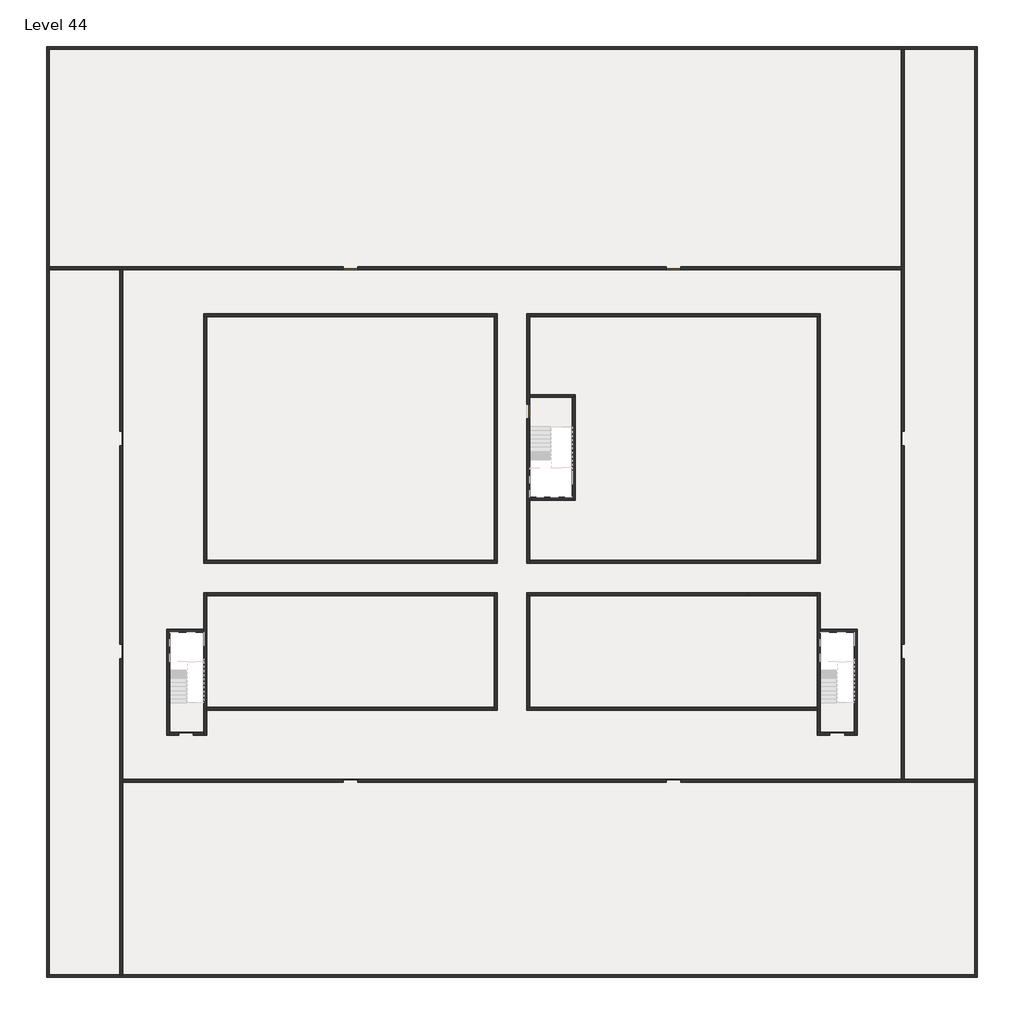
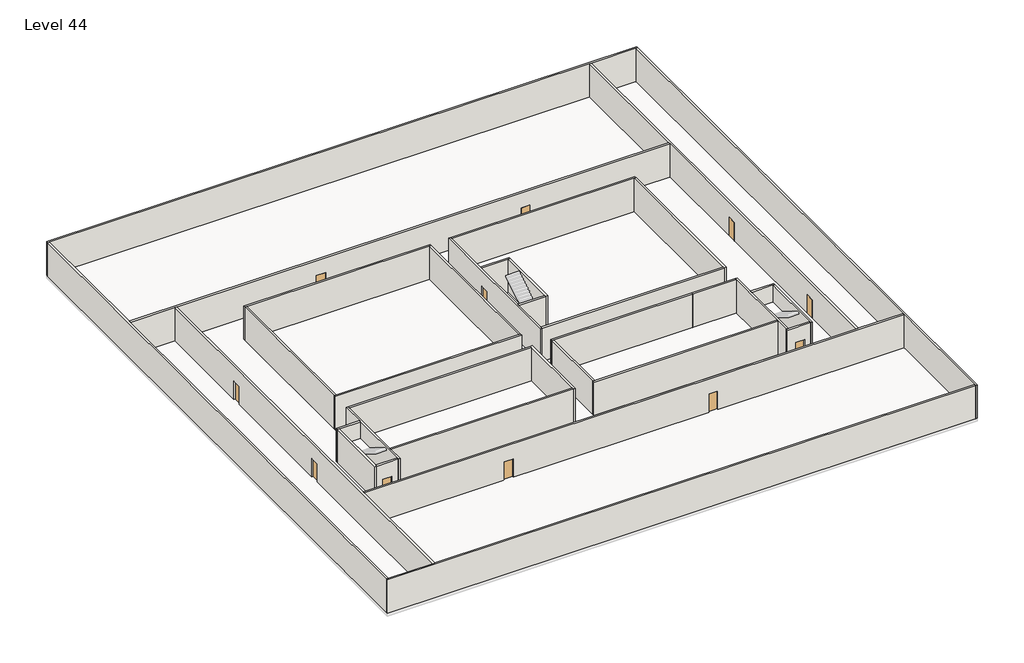
# One storey, part 1 of 2: 34 walls, 11 doors.
"""IFC4 building model written with IfcOpenShell, lengths in millimetres."""

import ifcopenshell
import ifcopenshell.guid

model = None  # the IFC model being written
_history = None  # IfcOwnerHistory: only IFC2X3 demands one
_inside = {}  # id of a spatial element -> (the spatial element, [elements in it])
_under = {}  # id of a project, library or spatial element -> (it, [spatial elements below it])
_declared = {}  # id of a project -> (the project, [libraries it declares])
_typed = {}  # id of a type object -> (the type object, [elements of that type])
_made_of = {}  # id of a material, layer set ... -> (it, [elements and type objects made of it])


def new_model(schema):
    """Start an empty IFC model of exactly this schema.

    Asked for "IFC4X3", IfcOpenShell would pick the latest addendum, in which some entities
    have other attributes; the version numbers below select the first issue.
    IFC2X3 requires an IfcOwnerHistory on every rooted entity: one is made here for all.
    """
    global model, _history
    if schema == "IFC4X3":
        model = ifcopenshell.file(schema_version=(4, 3, 0, 0))
    else:
        model = ifcopenshell.file(schema=schema)
    _inside.clear()
    _under.clear()
    _declared.clear()
    _typed.clear()
    _made_of.clear()
    _history = None
    if model.schema == "IFC2X3":
        org = make("IfcOrganization", Name="unknown")
        user = make(
            "IfcPersonAndOrganization",
            ThePerson=make("IfcPerson", FamilyName="unknown"),
            TheOrganization=org,
        )
        app = make(
            "IfcApplication",
            ApplicationDeveloper=org,
            Version="unknown",
            ApplicationFullName="unknown",
            ApplicationIdentifier="unknown",
        )
        _history = make(
            "IfcOwnerHistory",
            OwningUser=user,
            OwningApplication=app,
            ChangeAction="ADDED",
            CreationDate=0,
        )
    return model


def make(cls, **values):
    """One entity of the class cls with the attributes given. An attribute that is None is left unset."""
    return model.create_entity(
        cls, **{name: value for name, value in values.items() if value is not None}
    )


def rooted(cls, **values):
    """An entity with a GlobalId (a new one), such as an element, a storey or a relation."""
    return make(cls, GlobalId=ifcopenshell.guid.new(), OwnerHistory=_history, **values)


def si_unit(unit_type, name, prefix=None):
    """IfcSIUnit, for example si_unit("LENGTHUNIT", "METRE", prefix="MILLI")."""
    return make("IfcSIUnit", UnitType=unit_type, Prefix=prefix, Name=name)


def assignment(units):
    """IfcUnitAssignment: the units of a project."""
    return None if units is None else make("IfcUnitAssignment", Units=units)


def point(xyz):
    """IfcCartesianPoint."""
    return None if xyz is None else make("IfcCartesianPoint", Coordinates=xyz)


def direction(xyz):
    """IfcDirection."""
    return None if xyz is None else make("IfcDirection", DirectionRatios=xyz)


def frame(location, z_axis=None, x_axis=None):
    """IfcAxis2Placement3D, a coordinate frame: its origin and axes. An axis left out is left unset."""
    return make(
        "IfcAxis2Placement3D",
        Location=point(location),
        Axis=direction(z_axis),
        RefDirection=direction(x_axis),
    )


def origin():
    """The frame at (0, 0, 0) with its axes left unset."""
    return frame((0.0, 0.0, 0.0))


def origin_with_axes():
    """The frame at (0, 0, 0) with the z axis (0, 0, 1) and the x axis (1, 0, 0) written out."""
    return frame((0.0, 0.0, 0.0), z_axis=(0.0, 0.0, 1.0), x_axis=(1.0, 0.0, 0.0))


def place(relative_to, where):
    """IfcLocalPlacement: puts the frame where relative to a parent placement (None: the world)."""
    return make(
        "IfcLocalPlacement", PlacementRelTo=relative_to, RelativePlacement=where
    )


def context(
    kind, dimensions, precision=None, world=None, true_north=None, identifier=None
):
    """IfcGeometricRepresentationContext, for example the 3D "Model" context."""
    return make(
        "IfcGeometricRepresentationContext",
        ContextIdentifier=identifier,
        ContextType=kind,
        CoordinateSpaceDimension=dimensions,
        Precision=precision,
        WorldCoordinateSystem=world,
        TrueNorth=true_north,
    )


def project(units=None, contexts=None):
    """IfcProject with its units and contexts."""
    return rooted(
        "IfcProject",
        Name="project",
        RepresentationContexts=contexts,
        UnitsInContext=assignment(units),
    )


def spatial(cls, under=None, at=None, **own):
    """A site, building, storey or space (cls), placed at a placement, below another one or the project."""
    s = rooted(cls, ObjectPlacement=at, **own)
    if under is not None:
        _under.setdefault(under.id(), (under, []))[1].append(s)
    return s


def polyline(points):
    """IfcPolyline through the points."""
    return make("IfcPolyline", Points=[point(p) for p in points])


def outline(outer, holes=None, kind="AREA"):
    """IfcArbitraryClosedProfileDef: a profile drawn as a closed curve; with holes, ...WithVoids."""
    if holes is None:
        return make("IfcArbitraryClosedProfileDef", ProfileType=kind, OuterCurve=outer)
    return make(
        "IfcArbitraryProfileDefWithVoids",
        ProfileType=kind,
        OuterCurve=outer,
        InnerCurves=holes,
    )


def extrude(swept, where, along, depth):
    """IfcExtrudedAreaSolid: the profile swept, set in the frame where, extruded along a direction by depth."""
    return make(
        "IfcExtrudedAreaSolid",
        SweptArea=swept,
        Position=where,
        ExtrudedDirection=direction(along),
        Depth=depth,
    )


def faces_of(points, faces, orient=None, outer=None):
    """IfcFace entities. A face is a list of loops; a loop is a list of indices into points, from 0.

    orient and outer hold one flag for each loop. By default every Orientation is true, the
    first loop of a face is its IfcFaceOuterBound and the others are IfcFaceBound.
    """
    made = []
    for i, loops in enumerate(faces):
        bounds = []
        for j, loop in enumerate(loops):
            is_outer = j == 0 if outer is None else outer[i][j]
            bounds.append(
                make(
                    "IfcFaceOuterBound" if is_outer else "IfcFaceBound",
                    Bound=make("IfcPolyLoop", Polygon=[points[k] for k in loop]),
                    Orientation=True if orient is None else orient[i][j],
                )
            )
        made.append(make("IfcFace", Bounds=bounds))
    return made


def faceted_brep(points, faces, orient=None, outer=None, voids=None):
    """IfcFacetedBrep: a solid bounded by flat faces; with voids (closed shells), ...WithVoids."""
    shared = [point(p) for p in points]
    hull = make("IfcClosedShell", CfsFaces=faces_of(shared, faces, orient, outer))
    if voids is None:
        return make("IfcFacetedBrep", Outer=hull)
    return make(
        "IfcFacetedBrepWithVoids",
        Outer=hull,
        Voids=[
            make(cls, CfsFaces=faces_of(shared, fs, o, b)) for cls, fs, o, b in voids
        ],
    )


def shape(context_of_items, identifier, shape_type, items):
    """IfcShapeRepresentation: the items that make up one representation, for example the "Body"."""
    return make(
        "IfcShapeRepresentation",
        ContextOfItems=context_of_items,
        RepresentationIdentifier=identifier,
        RepresentationType=shape_type,
        Items=items,
    )


def source(mapping_origin, context_of_items, identifier, shape_type, items):
    """IfcRepresentationMap: a shape defined once, which mapped items show again and again."""
    return make(
        "IfcRepresentationMap",
        MappingOrigin=mapping_origin,
        MappedRepresentation=shape(context_of_items, identifier, shape_type, items),
    )


def transform(
    local_origin,
    x_axis=None,
    y_axis=None,
    z_axis=None,
    scale=None,
    scale2=None,
    scale3=None,
    uniform=True,
):
    """IfcCartesianTransformationOperator3D, or its non-uniform kind. x_axis, y_axis, z_axis: its Axis1, 2, 3."""
    if uniform:
        return make(
            "IfcCartesianTransformationOperator3D",
            Axis1=direction(x_axis),
            Axis2=direction(y_axis),
            LocalOrigin=point(local_origin),
            Scale=scale,
            Axis3=direction(z_axis),
        )
    return make(
        "IfcCartesianTransformationOperator3DnonUniform",
        Axis1=direction(x_axis),
        Axis2=direction(y_axis),
        LocalOrigin=point(local_origin),
        Scale=scale,
        Axis3=direction(z_axis),
        Scale2=scale2,
        Scale3=scale3,
    )


def mapped(mapping_source, mapping_target):
    """IfcMappedItem: shows the shape of a source again, moved by a transform."""
    return make(
        "IfcMappedItem", MappingSource=mapping_source, MappingTarget=mapping_target
    )


def made_of(thing, what):
    """Note that an element or type object is made of a material, layer set ...; save() writes the relation."""
    if what is not None:
        _made_of.setdefault(what.id(), (what, []))[1].append(thing)
    return thing


def element(
    cls,
    number,
    at=None,
    inside=None,
    cuts=None,
    type_object=None,
    material=None,
    context=None,
    identifier="Body",
    shape_type=None,
    held_by="IfcProductDefinitionShape",
    body=None,
    shapes=None,
    **own,
):
    """One element of the class cls, such as IfcWall. Its Tag is "e" and its number.

    at: its placement. inside: the storey or other place that contains it. cuts: it is an
    opening in that element (IfcRelVoidsElement). A single representation is given by context,
    identifier, shape_type and body (its items); several are given by shapes. held_by: the class
    of the entity that holds the representations. save() writes the other relations.
    """
    e = rooted(cls, Tag="e%d" % number, ObjectPlacement=at, **own)
    if body is not None:
        shapes = [shape(context, identifier, shape_type, body)]
    if shapes is not None:
        e.Representation = make(held_by, Representations=shapes)
    if inside is not None:
        _inside.setdefault(inside.id(), (inside, []))[1].append(e)
    if cuts is not None:
        rooted(
            "IfcRelVoidsElement", RelatingBuildingElement=cuts, RelatedOpeningElement=e
        )
    if type_object is not None:
        _typed.setdefault(type_object.id(), (type_object, []))[1].append(e)
    return made_of(e, material)


def aggregate(whole, parts):
    """IfcRelAggregates: a whole, such as a stair, and the parts it consists of."""
    return rooted("IfcRelAggregates", RelatingObject=whole, RelatedObjects=parts)


def save(model, path):
    """Write the relations noted so far, then the file.

    IfcRelAggregates (storeys below a building ...), IfcRelContainedInSpatialStructure (elements
    in a storey), IfcRelDefinesByType, IfcRelAssociatesMaterial and IfcRelDeclares: one each for
    every whole, place, type object, material and project.
    """
    for whole, parts in _under.values():
        aggregate(whole, parts)
    for where, things in _inside.values():
        rooted(
            "IfcRelContainedInSpatialStructure",
            RelatedElements=things,
            RelatingStructure=where,
        )
    for kind, things in _typed.values():
        rooted("IfcRelDefinesByType", RelatedObjects=things, RelatingType=kind)
    for what, things in _made_of.values():
        rooted("IfcRelAssociatesMaterial", RelatedObjects=things, RelatingMaterial=what)
    for by, libraries in _declared.values():
        rooted("IfcRelDeclares", RelatingContext=by, RelatedDefinitions=libraries)
    model.write(path)


def door_fb3c37fd(model_context):
    return source(origin(), model_context, "Body", "SweptSolid", [
        extrude(outline(polyline([(500.0, 49.0), (-500.0, 49.0), (-500.0, 100.0), (500.0, 100.0), (500.0, 49.0)])), origin_with_axes(), (0.0, 0.0, 1.0), 2100.0),
    ])


def door_0317a72c(model_context):
    return source(origin(), model_context, "Body", "SweptSolid", [
        extrude(outline(polyline([(500.0, -49.0), (500.0, -100.0), (-500.0, -100.0), (-500.0, -49.0), (500.0, -49.0)])), origin_with_axes(), (0.0, 0.0, 1.0), 2100.0),
    ])


model = new_model("IFC4")

# Units and contexts
model_context = context("Model", 3, world=origin())
ifc_project = project(units=[si_unit("LENGTHUNIT", "METRE", prefix="MILLI")], contexts=[model_context])

# Site, building, storey
site = spatial("IfcSite", under=ifc_project)
building = spatial("IfcBuilding", under=site)
storey = spatial("IfcBuildingStorey", under=building, Name="Level 44", Elevation=163400.0)

# Doors
placement = place(None, origin())
door_shape = door_fb3c37fd(model_context)
element("IfcDoor", 1, at=placement, inside=storey, context=model_context, shape_type="MappedRepresentation", body=[
    mapped(door_shape, transform((-2409.8941216, -46718.09644, 163400.0), x_axis=(0.0, -1.0, 0.0), y_axis=(1.0, 0.0, 0.0), z_axis=(0.0, 0.0, 1.0))),
])
element("IfcDoor", 2, at=placement, inside=storey, context=model_context, shape_type="MappedRepresentation", body=[
    mapped(door_shape, transform((-2409.8941216, -32218.09644, 163400.0), x_axis=(0.0, -1.0, 0.0), y_axis=(1.0, 0.0, 0.0), z_axis=(0.0, 0.0, 1.0))),
])
element("IfcDoor", 3, at=placement, inside=storey, context=model_context, shape_type="MappedRepresentation", body=[
    mapped(door_shape, transform((13190.1058784, -20618.09644, 163400.0), x_axis=(-1.0, 0.0, 0.0), y_axis=(0.0, -1.0, 0.0), z_axis=(0.0, 0.0, 1.0))),
])
element("IfcDoor", 4, at=placement, inside=storey, context=model_context, shape_type="MappedRepresentation", body=[
    mapped(door_shape, transform((35190.1058784, -20618.09644, 163400.0), x_axis=(-1.0, 0.0, 0.0), y_axis=(0.0, -1.0, 0.0), z_axis=(0.0, 0.0, 1.0))),
])
element("IfcDoor", 5, at=placement, inside=storey, context=model_context, shape_type="MappedRepresentation", body=[
    mapped(door_shape, transform((50790.1058784, -32218.09644, 163400.0), x_axis=(0.0, 1.0, 0.0), y_axis=(-1.0, 0.0, 0.0), z_axis=(0.0, 0.0, 1.0))),
])
element("IfcDoor", 6, at=placement, inside=storey, context=model_context, shape_type="MappedRepresentation", body=[
    mapped(door_shape, transform((50790.1058784, -46718.09644, 163400.0), x_axis=(0.0, 1.0, 0.0), y_axis=(-1.0, 0.0, 0.0), z_axis=(0.0, 0.0, 1.0))),
])
element("IfcDoor", 7, at=placement, inside=storey, context=model_context, shape_type="MappedRepresentation", body=[
    mapped(door_shape, transform((35190.1058784, -55518.09644, 163400.0), x_axis=(1.0, 0.0, 0.0), y_axis=(0.0, 1.0, 0.0), z_axis=(0.0, 0.0, 1.0))),
])
element("IfcDoor", 8, at=placement, inside=storey, context=model_context, shape_type="MappedRepresentation", body=[
    mapped(door_shape, transform((13190.1058784, -55518.09644, 163400.0), x_axis=(1.0, 0.0, 0.0), y_axis=(0.0, 1.0, 0.0), z_axis=(0.0, 0.0, 1.0))),
])
door_2_shape = door_0317a72c(model_context)
element("IfcDoor", 9, at=placement, inside=storey, context=model_context, shape_type="MappedRepresentation", body=[
    mapped(door_2_shape, transform((46340.1058784, -52318.09644, 163400.0), x_axis=(-1.0, 0.0, 0.0), y_axis=(0.0, -1.0, 0.0), z_axis=(0.0, 0.0, 1.0))),
])
element("IfcDoor", 10, at=placement, inside=storey, context=model_context, shape_type="MappedRepresentation", body=[
    mapped(door_2_shape, transform((1990.1058784, -52318.09644, 163400.0), x_axis=(-1.0, 0.0, 0.0), y_axis=(0.0, -1.0, 0.0), z_axis=(0.0, 0.0, 1.0))),
])
element("IfcDoor", 11, at=placement, inside=storey, context=model_context, shape_type="MappedRepresentation", body=[
    mapped(door_2_shape, transform((25290.1058784, -30368.09644, 163400.0), x_axis=(0.0, 1.0, 0.0), y_axis=(-1.0, 0.0, 0.0), z_axis=(0.0, 0.0, 1.0))),
])

# Walls
element("IfcWall", 12, at=placement, inside=storey, context=model_context, shape_type="Brep", body=[
    faceted_brep([(-7509.8941216, -5718.09644, 163400.0), (-7309.8941216, -5718.09644, 163400.0), (50690.1058784, -5718.09644, 163400.0), (50890.1058784, -5718.09644, 163400.0), (55690.1058784, -5718.09644, 163400.0), (55890.1058784, -5718.09644, 163400.0), (55890.1058784, -5718.09644, 167200.0), (55690.1058784, -5718.09644, 167200.0), (50890.1058784, -5718.09644, 167200.0), (50690.1058784, -5718.09644, 167200.0), (-7309.8941216, -5718.09644, 167200.0), (-7509.8941216, -5718.09644, 167200.0), (-7509.8941216, -5518.09644, 163400.0), (-7509.8941216, -5518.09644, 167200.0), (55890.1058784, -5518.09644, 167200.0), (55890.1058784, -5518.09644, 163400.0)], [[[0, 1, 2, 3, 4, 5, 6, 7, 8, 9, 10, 11]], [[12, 13, 14, 15]], [[5, 4, 3, 2, 1, 0, 12, 15]], [[11, 10, 9, 8, 7, 6, 14, 13]], [[0, 11, 13, 12]], [[6, 5, 15, 14]]]),
])
element("IfcWall", 13, at=placement, inside=storey, context=model_context, shape_type="Brep", body=[
    faceted_brep([(55690.1058784, -5718.09644, 163400.0), (55690.1058784, -55418.09644, 163400.0), (55690.1058784, -55618.09644, 163400.0), (55690.1058784, -68718.09644, 163400.0), (55690.1058784, -68918.09644, 163400.0), (55690.1058784, -68918.09644, 167200.0), (55690.1058784, -68718.09644, 167200.0), (55690.1058784, -55618.09644, 167200.0), (55690.1058784, -55418.09644, 167200.0), (55690.1058784, -5718.09644, 167200.0), (55890.1058784, -5718.09644, 163400.0), (55890.1058784, -5718.09644, 167200.0), (55890.1058784, -68918.09644, 167200.0), (55890.1058784, -68918.09644, 163400.0)], [[[0, 1, 2, 3, 4, 5, 6, 7, 8, 9]], [[10, 11, 12, 13]], [[4, 3, 2, 1, 0, 10, 13]], [[9, 8, 7, 6, 5, 12, 11]], [[5, 4, 13, 12]], [[0, 9, 11, 10]]]),
])
element("IfcWall", 14, at=placement, inside=storey, context=model_context, shape_type="Brep", body=[
    faceted_brep([(55690.1058784, -68718.09644, 163400.0), (-2309.8941216, -68718.09644, 163400.0), (-2509.8941216, -68718.09644, 163400.0), (-7309.8941216, -68718.09644, 163400.0), (-7509.8941216, -68718.09644, 163400.0), (-7509.8941216, -68718.09644, 167200.0), (-7309.8941216, -68718.09644, 167200.0), (-2509.8941216, -68718.09644, 167200.0), (-2309.8941216, -68718.09644, 167200.0), (55690.1058784, -68718.09644, 167200.0), (55690.1058784, -68918.09644, 163400.0), (55690.1058784, -68918.09644, 167200.0), (-7509.8941216, -68918.09644, 167200.0), (-7509.8941216, -68918.09644, 163400.0)], [[[0, 1, 2, 3, 4, 5, 6, 7, 8, 9]], [[10, 11, 12, 13]], [[4, 3, 2, 1, 0, 10, 13]], [[9, 8, 7, 6, 5, 12, 11]], [[5, 4, 13, 12]], [[0, 9, 11, 10]]]),
])
element("IfcWall", 15, at=placement, inside=storey, context=model_context, shape_type="Brep", body=[
    faceted_brep([(-7309.8941216, -68718.09644, 163400.0), (-7309.8941216, -20718.09644, 163400.0), (-7309.8941216, -20518.09644, 163400.0), (-7309.8941216, -5718.09644, 163400.0), (-7309.8941216, -5718.09644, 167200.0), (-7309.8941216, -20518.09644, 167200.0), (-7309.8941216, -20718.09644, 167200.0), (-7309.8941216, -68718.09644, 167200.0), (-7509.8941216, -68718.09644, 163400.0), (-7509.8941216, -68718.09644, 167200.0), (-7509.8941216, -5718.09644, 167200.0), (-7509.8941216, -5718.09644, 163400.0)], [[[0, 1, 2, 3, 4, 5, 6, 7]], [[8, 9, 10, 11]], [[3, 2, 1, 0, 8, 11]], [[7, 6, 5, 4, 10, 9]], [[0, 7, 9, 8]], [[4, 3, 11, 10]]]),
])
element("IfcWall", 16, at=placement, inside=storey, context=model_context, shape_type="Brep", body=[
    faceted_brep([(3190.1058784, -23918.09644, 163400.0), (3390.1058784, -23918.09644, 163400.0), (22990.1058784, -23918.09644, 163400.0), (23190.1058784, -23918.09644, 163400.0), (23190.1058784, -23918.09644, 167200.0), (22990.1058784, -23918.09644, 167200.0), (3390.1058784, -23918.09644, 167200.0), (3190.1058784, -23918.09644, 167200.0), (3190.1058784, -23718.09644, 163400.0), (3190.1058784, -23718.09644, 167200.0), (23190.1058784, -23718.09644, 167200.0), (23190.1058784, -23718.09644, 163400.0)], [[[0, 1, 2, 3, 4, 5, 6, 7]], [[8, 9, 10, 11]], [[3, 2, 1, 0, 8, 11]], [[7, 6, 5, 4, 10, 9]], [[0, 7, 9, 8]], [[4, 3, 11, 10]]]),
])
element("IfcWall", 17, at=placement, inside=storey, context=model_context, shape_type="Brep", body=[
    faceted_brep([(44990.1058784, -23918.09644, 163400.0), (44990.1058784, -40518.09644, 163400.0), (44990.1058784, -40718.09644, 163400.0), (44990.1058784, -40718.09644, 167200.0), (44990.1058784, -40518.09644, 167200.0), (44990.1058784, -23918.09644, 167200.0), (45190.1058784, -23918.09644, 163400.0), (45190.1058784, -23918.09644, 167200.0), (45190.1058784, -40718.09644, 167200.0), (45190.1058784, -40718.09644, 163400.0)], [[[0, 1, 2, 3, 4, 5]], [[6, 7, 8, 9]], [[2, 1, 0, 6, 9]], [[5, 4, 3, 8, 7]], [[0, 5, 7, 6]], [[3, 2, 9, 8]]]),
])
element("IfcWall", 18, at=placement, inside=storey, context=model_context, shape_type="Brep", body=[
    faceted_brep([(44990.1058784, -50518.09644, 163400.0), (25390.1058784, -50518.09644, 163400.0), (25190.1058784, -50518.09644, 163400.0), (25190.1058784, -50518.09644, 167200.0), (25390.1058784, -50518.09644, 167200.0), (44990.1058784, -50518.09644, 167200.0), (44990.1058784, -50718.09644, 163400.0), (44990.1058784, -50718.09644, 167200.0), (25190.1058784, -50718.09644, 167200.0), (25190.1058784, -50718.09644, 163400.0)], [[[0, 1, 2, 3, 4, 5]], [[6, 7, 8, 9]], [[2, 1, 0, 6, 9]], [[5, 4, 3, 8, 7]], [[3, 2, 9, 8]], [[0, 5, 7, 6]]]),
])
element("IfcWall", 19, at=placement, inside=storey, context=model_context, shape_type="Brep", body=[
    faceted_brep([(3390.1058784, -52418.09644, 163400.0), (3390.1058784, -50718.09644, 163400.0), (3390.1058784, -50518.09644, 163400.0), (3390.1058784, -42918.09644, 163400.0), (3390.1058784, -42718.09644, 163400.0), (3390.1058784, -42718.09644, 167200.0), (3390.1058784, -42918.09644, 167200.0), (3390.1058784, -50518.09644, 167200.0), (3390.1058784, -50718.09644, 167200.0), (3390.1058784, -52418.09644, 167200.0), (3190.1058784, -52418.09644, 163400.0), (3190.1058784, -52418.09644, 167200.0), (3190.1058784, -52218.09644, 167200.0), (3190.1058784, -45418.09644, 167200.0), (3190.1058784, -45218.09644, 167200.0), (3190.1058784, -42718.09644, 167200.0), (3190.1058784, -42718.09644, 163400.0), (3190.1058784, -45218.09644, 163400.0), (3190.1058784, -45418.09644, 163400.0), (3190.1058784, -52218.09644, 163400.0)], [[[0, 1, 2, 3, 4, 5, 6, 7, 8, 9]], [[10, 11, 12, 13, 14, 15, 16, 17, 18, 19]], [[4, 3, 2, 1, 0, 10, 19, 18, 17, 16]], [[9, 8, 7, 6, 5, 15, 14, 13, 12, 11]], [[5, 4, 16, 15]], [[0, 9, 11, 10]]]),
])
element("IfcWall", 20, at=placement, inside=storey, context=model_context, shape_type="SweptSolid", body=[
    extrude(outline(polyline([(22990.1058784, -40518.09644), (22990.1058784, -23918.09644), (23190.1058784, -23918.09644), (23190.1058784, -40518.09644), (22990.1058784, -40518.09644)])), frame((0.0, 0.0, 163400.0), z_axis=(0.0, 0.0, 1.0), x_axis=(1.0, 0.0, 0.0)), (0.0, 0.0, 1.0), 3800.0),
])
element("IfcWall", 21, at=placement, inside=storey, context=model_context, shape_type="Brep", body=[
    faceted_brep([(23190.1058784, -40518.09644, 163400.0), (22990.1058784, -40518.09644, 163400.0), (3390.1058784, -40518.09644, 163400.0), (3190.1058784, -40518.09644, 163400.0), (3190.1058784, -40518.09644, 167200.0), (3390.1058784, -40518.09644, 167200.0), (22990.1058784, -40518.09644, 167200.0), (23190.1058784, -40518.09644, 167200.0), (23190.1058784, -40718.09644, 163400.0), (23190.1058784, -40718.09644, 167200.0), (3190.1058784, -40718.09644, 167200.0), (3190.1058784, -40718.09644, 163400.0)], [[[0, 1, 2, 3, 4, 5, 6, 7]], [[8, 9, 10, 11]], [[3, 2, 1, 0, 8, 11]], [[7, 6, 5, 4, 10, 9]], [[4, 3, 11, 10]], [[0, 7, 9, 8]]]),
])
element("IfcWall", 22, at=placement, inside=storey, context=model_context, shape_type="SweptSolid", body=[
    extrude(outline(polyline([(22990.1058784, -42918.09644), (3390.1058784, -42918.09644), (3390.1058784, -42718.09644), (22990.1058784, -42718.09644), (22990.1058784, -42918.09644)])), frame((0.0, 0.0, 163400.0), z_axis=(0.0, 0.0, 1.0), x_axis=(1.0, 0.0, 0.0)), (0.0, 0.0, 1.0), 3800.0),
])
element("IfcWall", 23, at=placement, inside=storey, context=model_context, shape_type="SweptSolid", body=[
    extrude(outline(polyline([(25390.1058784, -40518.09644), (44990.1058784, -40518.09644), (44990.1058784, -40718.09644), (25390.1058784, -40718.09644), (25390.1058784, -40518.09644)])), frame((0.0, 0.0, 163400.0), z_axis=(0.0, 0.0, 1.0), x_axis=(1.0, 0.0, 0.0)), (0.0, 0.0, 1.0), 3800.0),
])
element("IfcWall", 24, at=placement, inside=storey, context=model_context, shape_type="Brep", body=[
    faceted_brep([(25390.1058784, -29868.09644, 165500.0), (25390.1058784, -29868.09644, 163400.0), (25390.1058784, -29418.09644, 163400.0), (25390.1058784, -29218.09644, 163400.0), (25390.1058784, -23918.09644, 163400.0), (25390.1058784, -23718.09644, 163400.0), (25390.1058784, -23718.09644, 167200.0), (25390.1058784, -23918.09644, 167200.0), (25390.1058784, -29218.09644, 167200.0), (25390.1058784, -29418.09644, 167200.0), (25390.1058784, -36218.09644, 167200.0), (25390.1058784, -36418.09644, 167200.0), (25390.1058784, -40518.09644, 167200.0), (25390.1058784, -40718.09644, 167200.0), (25390.1058784, -40718.09644, 163400.0), (25390.1058784, -40518.09644, 163400.0), (25390.1058784, -36418.09644, 163400.0), (25390.1058784, -36218.09644, 163400.0), (25390.1058784, -30868.09644, 163400.0), (25390.1058784, -30868.09644, 165500.0), (25190.1058784, -23718.09644, 163400.0), (25190.1058784, -29868.09644, 163400.0), (25190.1058784, -29868.09644, 165500.0), (25190.1058784, -30868.09644, 165500.0), (25190.1058784, -30868.09644, 163400.0), (25190.1058784, -40718.09644, 163400.0), (25190.1058784, -40718.09644, 167200.0), (25190.1058784, -23718.09644, 167200.0)], [[[0, 1, 2, 3, 4, 5, 6, 7, 8, 9, 10, 11, 12, 13, 14, 15, 16, 17, 18, 19]], [[20, 21, 22, 23, 24, 25, 26, 27]], [[5, 4, 3, 2, 1, 21, 20]], [[18, 17, 16, 15, 14, 25, 24]], [[13, 12, 11, 10, 9, 8, 7, 6, 27, 26]], [[22, 21, 1, 0]], [[23, 22, 0, 19]], [[24, 23, 19, 18]], [[14, 13, 26, 25]], [[6, 5, 20, 27]]]),
])
element("IfcWall", 25, at=placement, inside=storey, context=model_context, shape_type="SweptSolid", body=[
    extrude(outline(polyline([(3390.1058784, -23918.09644), (3390.1058784, -40518.09644), (3190.1058784, -40518.09644), (3190.1058784, -23918.09644), (3390.1058784, -23918.09644)])), frame((0.0, 0.0, 163400.0), z_axis=(0.0, 0.0, 1.0), x_axis=(1.0, 0.0, 0.0)), (0.0, 0.0, 1.0), 3800.0),
])
element("IfcWall", 26, at=placement, inside=storey, context=model_context, shape_type="Brep", body=[
    faceted_brep([(25390.1058784, -23918.09644, 163400.0), (44990.1058784, -23918.09644, 163400.0), (45190.1058784, -23918.09644, 163400.0), (45190.1058784, -23918.09644, 167200.0), (44990.1058784, -23918.09644, 167200.0), (25390.1058784, -23918.09644, 167200.0), (25390.1058784, -23718.09644, 163400.0), (25390.1058784, -23718.09644, 167200.0), (45190.1058784, -23718.09644, 167200.0), (45190.1058784, -23718.09644, 163400.0)], [[[0, 1, 2, 3, 4, 5]], [[6, 7, 8, 9]], [[2, 1, 0, 6, 9]], [[5, 4, 3, 8, 7]], [[3, 2, 9, 8]], [[0, 5, 7, 6]]]),
])
element("IfcWall", 27, at=placement, inside=storey, context=model_context, shape_type="Brep", body=[
    faceted_brep([(44990.1058784, -42718.09644, 163400.0), (44990.1058784, -42918.09644, 163400.0), (44990.1058784, -50518.09644, 163400.0), (44990.1058784, -50718.09644, 163400.0), (44990.1058784, -52218.09644, 163400.0), (44990.1058784, -52218.09644, 167200.0), (44990.1058784, -50718.09644, 167200.0), (44990.1058784, -50518.09644, 167200.0), (44990.1058784, -42918.09644, 167200.0), (44990.1058784, -42718.09644, 167200.0), (45190.1058784, -42718.09644, 163400.0), (45190.1058784, -42718.09644, 167200.0), (45190.1058784, -45218.09644, 167200.0), (45190.1058784, -45418.09644, 167200.0), (45190.1058784, -52218.09644, 167200.0), (45190.1058784, -52218.09644, 163400.0), (45190.1058784, -45418.09644, 163400.0), (45190.1058784, -45218.09644, 163400.0)], [[[0, 1, 2, 3, 4, 5, 6, 7, 8, 9]], [[10, 11, 12, 13, 14, 15, 16, 17]], [[4, 3, 2, 1, 0, 10, 17, 16, 15]], [[9, 8, 7, 6, 5, 14, 13, 12, 11]], [[0, 9, 11, 10]], [[5, 4, 15, 14]]]),
])
element("IfcWall", 28, at=placement, inside=storey, context=model_context, shape_type="Brep", body=[
    faceted_brep([(25390.1058784, -29418.09644, 163400.0), (28290.1058784, -29418.09644, 163400.0), (28490.1058784, -29418.09644, 163400.0), (28490.1058784, -29418.09644, 167200.0), (28290.1058784, -29418.09644, 167200.0), (25390.1058784, -29418.09644, 167200.0), (25390.1058784, -29218.09644, 163400.0), (25390.1058784, -29218.09644, 167200.0), (28490.1058784, -29218.09644, 167200.0), (28490.1058784, -29218.09644, 163400.0)], [[[0, 1, 2, 3, 4, 5]], [[6, 7, 8, 9]], [[2, 1, 0, 6, 9]], [[5, 4, 3, 8, 7]], [[3, 2, 9, 8]], [[0, 5, 7, 6]]]),
])
element("IfcWall", 29, at=placement, inside=storey, context=model_context, shape_type="Brep", body=[
    faceted_brep([(28290.1058784, -29418.09644, 163400.0), (28290.1058784, -36218.09644, 163400.0), (28290.1058784, -36418.09644, 163400.0), (28290.1058784, -36418.09644, 167200.0), (28290.1058784, -36218.09644, 167200.0), (28290.1058784, -29418.09644, 167200.0), (28490.1058784, -29418.09644, 163400.0), (28490.1058784, -29418.09644, 167200.0), (28490.1058784, -36418.09644, 167200.0), (28490.1058784, -36418.09644, 163400.0)], [[[0, 1, 2, 3, 4, 5]], [[6, 7, 8, 9]], [[2, 1, 0, 6, 9]], [[5, 4, 3, 8, 7]], [[3, 2, 9, 8]], [[0, 5, 7, 6]]]),
])
element("IfcWall", 30, at=placement, inside=storey, context=model_context, shape_type="SweptSolid", body=[
    extrude(outline(polyline([(25390.1058784, -36218.09644), (28290.1058784, -36218.09644), (28290.1058784, -36418.09644), (25390.1058784, -36418.09644), (25390.1058784, -36218.09644)])), frame((0.0, 0.0, 163400.0), z_axis=(0.0, 0.0, 1.0), x_axis=(1.0, 0.0, 0.0)), (0.0, 0.0, 1.0), 3800.0),
])
element("IfcWall", 31, at=placement, inside=storey, context=model_context, shape_type="SweptSolid", body=[
    extrude(outline(polyline([(25190.1058784, -50518.09644), (25190.1058784, -42918.09644), (25390.1058784, -42918.09644), (25390.1058784, -50518.09644), (25190.1058784, -50518.09644)])), frame((0.0, 0.0, 163400.0), z_axis=(0.0, 0.0, 1.0), x_axis=(1.0, 0.0, 0.0)), (0.0, 0.0, 1.0), 3800.0),
])
element("IfcWall", 32, at=placement, inside=storey, context=model_context, shape_type="Brep", body=[
    faceted_brep([(22990.1058784, -42718.09644, 163400.0), (22990.1058784, -42918.09644, 163400.0), (22990.1058784, -50518.09644, 163400.0), (22990.1058784, -50718.09644, 163400.0), (22990.1058784, -50718.09644, 167200.0), (22990.1058784, -50518.09644, 167200.0), (22990.1058784, -42918.09644, 167200.0), (22990.1058784, -42718.09644, 167200.0), (23190.1058784, -42718.09644, 163400.0), (23190.1058784, -42718.09644, 167200.0), (23190.1058784, -50718.09644, 167200.0), (23190.1058784, -50718.09644, 163400.0)], [[[0, 1, 2, 3, 4, 5, 6, 7]], [[8, 9, 10, 11]], [[3, 2, 1, 0, 8, 11]], [[7, 6, 5, 4, 10, 9]], [[4, 3, 11, 10]], [[0, 7, 9, 8]]]),
])
element("IfcWall", 33, at=placement, inside=storey, context=model_context, shape_type="Brep", body=[
    faceted_brep([(25190.1058784, -42918.09644, 163400.0), (25390.1058784, -42918.09644, 163400.0), (40290.1058784, -42918.09644, 163400.0), (40290.1058784, -42918.09644, 167200.0), (25390.1058784, -42918.09644, 167200.0), (25190.1058784, -42918.09644, 167200.0), (25190.1058784, -42718.09644, 163400.0), (25190.1058784, -42718.09644, 167200.0), (40290.1058784, -42718.09644, 167200.0), (40290.1058784, -42718.09644, 163400.0)], [[[0, 1, 2, 3, 4, 5]], [[6, 7, 8, 9]], [[2, 1, 0, 6, 9]], [[3, 2, 9, 8]], [[5, 4, 3, 8, 7]], [[0, 5, 7, 6]]]),
])
element("IfcWall", 34, at=placement, inside=storey, context=model_context, shape_type="SweptSolid", body=[
    extrude(outline(polyline([(3390.1058784, -50518.09644), (22990.1058784, -50518.09644), (22990.1058784, -50718.09644), (3390.1058784, -50718.09644), (3390.1058784, -50518.09644)])), frame((0.0, 0.0, 163400.0), z_axis=(0.0, 0.0, 1.0), x_axis=(1.0, 0.0, 0.0)), (0.0, 0.0, 1.0), 3800.0),
])
element("IfcWall", 35, at=placement, inside=storey, context=model_context, shape_type="Brep", body=[
    faceted_brep([(45190.1058784, -45418.09644, 163400.0), (47490.1058784, -45418.09644, 163400.0), (47690.1058784, -45418.09644, 163400.0), (47690.1058784, -45418.09644, 167200.0), (47490.1058784, -45418.09644, 167200.0), (45190.1058784, -45418.09644, 167200.0), (45190.1058784, -45218.09644, 163400.0), (45190.1058784, -45218.09644, 167200.0), (47690.1058784, -45218.09644, 167200.0), (47690.1058784, -45218.09644, 163400.0)], [[[0, 1, 2, 3, 4, 5]], [[6, 7, 8, 9]], [[2, 1, 0, 6, 9]], [[5, 4, 3, 8, 7]], [[3, 2, 9, 8]], [[0, 5, 7, 6]]]),
])
element("IfcWall", 36, at=placement, inside=storey, context=model_context, shape_type="Brep", body=[
    faceted_brep([(47490.1058784, -45418.09644, 163400.0), (47490.1058784, -52218.09644, 163400.0), (47490.1058784, -52418.09644, 163400.0), (47490.1058784, -52418.09644, 167200.0), (47490.1058784, -52218.09644, 167200.0), (47490.1058784, -45418.09644, 167200.0), (47690.1058784, -45418.09644, 163400.0), (47690.1058784, -45418.09644, 167200.0), (47690.1058784, -52418.09644, 167200.0), (47690.1058784, -52418.09644, 163400.0)], [[[0, 1, 2, 3, 4, 5]], [[6, 7, 8, 9]], [[2, 1, 0, 6, 9]], [[5, 4, 3, 8, 7]], [[0, 5, 7, 6]], [[3, 2, 9, 8]]]),
])
element("IfcWall", 37, at=placement, inside=storey, context=model_context, shape_type="Brep", body=[
    faceted_brep([(45840.1058784, -52218.09644, 165500.0), (45840.1058784, -52218.09644, 163400.0), (45190.1058784, -52218.09644, 163400.0), (44990.1058784, -52218.09644, 163400.0), (44990.1058784, -52218.09644, 167200.0), (45190.1058784, -52218.09644, 167200.0), (47490.1058784, -52218.09644, 167200.0), (47490.1058784, -52218.09644, 163400.0), (46840.1058784, -52218.09644, 163400.0), (46840.1058784, -52218.09644, 165500.0), (44990.1058784, -52418.09644, 163400.0), (45840.1058784, -52418.09644, 163400.0), (45840.1058784, -52418.09644, 165500.0), (46840.1058784, -52418.09644, 165500.0), (46840.1058784, -52418.09644, 163400.0), (47490.1058784, -52418.09644, 163400.0), (47490.1058784, -52418.09644, 167200.0), (44990.1058784, -52418.09644, 167200.0)], [[[0, 1, 2, 3, 4, 5, 6, 7, 8, 9]], [[10, 11, 12, 13, 14, 15, 16, 17]], [[8, 7, 15, 14]], [[3, 2, 1, 11, 10]], [[6, 5, 4, 17, 16]], [[12, 11, 1, 0]], [[13, 12, 0, 9]], [[14, 13, 9, 8]], [[4, 3, 10, 17]], [[7, 6, 16, 15]]]),
])
element("IfcWall", 38, at=placement, inside=storey, context=model_context, shape_type="Brep", body=[
    faceted_brep([(3190.1058784, -45218.09644, 163400.0), (690.1058784, -45218.09644, 163400.0), (690.1058784, -45218.09644, 167200.0), (3190.1058784, -45218.09644, 167200.0), (3190.1058784, -45418.09644, 163400.0), (3190.1058784, -45418.09644, 167200.0), (890.1058784, -45418.09644, 167200.0), (690.1058784, -45418.09644, 167200.0), (690.1058784, -45418.09644, 163400.0), (890.1058784, -45418.09644, 163400.0)], [[[0, 1, 2, 3]], [[4, 5, 6, 7, 8, 9]], [[1, 0, 4, 9, 8]], [[3, 2, 7, 6, 5]], [[2, 1, 8, 7]], [[0, 3, 5, 4]]]),
])
element("IfcWall", 39, at=placement, inside=storey, context=model_context, shape_type="Brep", body=[
    faceted_brep([(690.1058784, -45418.09644, 163400.0), (690.1058784, -52418.09644, 163400.0), (690.1058784, -52418.09644, 167200.0), (690.1058784, -45418.09644, 167200.0), (890.1058784, -45418.09644, 163400.0), (890.1058784, -45418.09644, 167200.0), (890.1058784, -52218.09644, 167200.0), (890.1058784, -52418.09644, 167200.0), (890.1058784, -52418.09644, 163400.0), (890.1058784, -52218.09644, 163400.0)], [[[0, 1, 2, 3]], [[4, 5, 6, 7, 8, 9]], [[1, 0, 4, 9, 8]], [[3, 2, 7, 6, 5]], [[0, 3, 5, 4]], [[2, 1, 8, 7]]]),
])
element("IfcWall", 40, at=placement, inside=storey, context=model_context, shape_type="SweptSolid", body=[
    extrude(outline(polyline([(163400.0, 890.1058784), (163400.0, 1490.1058784), (165500.0, 1490.1058784), (165500.0, 2490.1058784), (163400.0, 2490.1058784), (163400.0, 3190.1058784), (167200.0, 3190.1058784), (167200.0, 890.1058784), (163400.0, 890.1058784)])), frame((0.0, -52418.09644, 0.0), z_axis=(0.0, 1.0, 0.0), x_axis=(0.0, 0.0, 1.0)), (0.0, 0.0, 1.0), 200.0),
])
element("IfcWall", 41, at=placement, inside=storey, context=model_context, shape_type="SweptSolid", body=[
    extrude(outline(polyline([(44990.1058784, -42918.09644), (40290.1058784, -42918.09644), (40290.1058784, -42718.09644), (44990.1058784, -42718.09644), (44990.1058784, -42918.09644)])), frame((0.0, 0.0, 163400.0), z_axis=(0.0, 0.0, 1.0), x_axis=(1.0, 0.0, 0.0)), (0.0, 0.0, 1.0), 3800.0),
])
element("IfcWall", 42, at=placement, inside=storey, context=model_context, shape_type="Brep", body=[
    faceted_brep([(13690.1058784, -20718.09644, 163400.0), (34690.1058784, -20718.09644, 163400.0), (34690.1058784, -20718.09644, 165500.0), (35690.1058784, -20718.09644, 165500.0), (35690.1058784, -20718.09644, 163400.0), (50690.1058784, -20718.09644, 163400.0), (50690.1058784, -20718.09644, 167200.0), (-2309.8941216, -20718.09644, 167200.0), (-2509.8941216, -20718.09644, 167200.0), (-7309.8941216, -20718.09644, 167200.0), (-7309.8941216, -20718.09644, 163400.0), (-2509.8941216, -20718.09644, 163400.0), (-2309.8941216, -20718.09644, 163400.0), (12690.1058784, -20718.09644, 163400.0), (12690.1058784, -20718.09644, 165500.0), (13690.1058784, -20718.09644, 165500.0), (34690.1058784, -20518.09644, 165500.0), (34690.1058784, -20518.09644, 163400.0), (13690.1058784, -20518.09644, 163400.0), (13690.1058784, -20518.09644, 165500.0), (12690.1058784, -20518.09644, 165500.0), (12690.1058784, -20518.09644, 163400.0), (-7309.8941216, -20518.09644, 163400.0), (-7309.8941216, -20518.09644, 167200.0), (50690.1058784, -20518.09644, 167200.0), (50690.1058784, -20518.09644, 163400.0), (35690.1058784, -20518.09644, 163400.0), (35690.1058784, -20518.09644, 165500.0)], [[[0, 1, 2, 3, 4, 5, 6, 7, 8, 9, 10, 11, 12, 13, 14, 15]], [[16, 17, 18, 19, 20, 21, 22, 23, 24, 25, 26, 27]], [[22, 21, 13, 12, 11, 10]], [[26, 25, 5, 4]], [[18, 17, 1, 0]], [[9, 8, 7, 6, 24, 23]], [[14, 13, 21, 20]], [[15, 14, 20, 19]], [[0, 15, 19, 18]], [[2, 1, 17, 16]], [[3, 2, 16, 27]], [[4, 3, 27, 26]], [[10, 9, 23, 22]], [[6, 5, 25, 24]]]),
])
element("IfcWall", 43, at=placement, inside=storey, context=model_context, shape_type="Brep", body=[
    faceted_brep([(50690.1058784, -32718.09644, 163400.0), (50690.1058784, -46218.09644, 163400.0), (50690.1058784, -46218.09644, 165500.0), (50690.1058784, -47218.09644, 165500.0), (50690.1058784, -47218.09644, 163400.0), (50690.1058784, -55418.09644, 163400.0), (50690.1058784, -55418.09644, 167200.0), (50690.1058784, -20718.09644, 167200.0), (50690.1058784, -20518.09644, 167200.0), (50690.1058784, -5718.09644, 167200.0), (50690.1058784, -5718.09644, 163400.0), (50690.1058784, -20518.09644, 163400.0), (50690.1058784, -20718.09644, 163400.0), (50690.1058784, -31718.09644, 163400.0), (50690.1058784, -31718.09644, 165500.0), (50690.1058784, -32718.09644, 165500.0), (50890.1058784, -46218.09644, 165500.0), (50890.1058784, -46218.09644, 163400.0), (50890.1058784, -32718.09644, 163400.0), (50890.1058784, -32718.09644, 165500.0), (50890.1058784, -31718.09644, 165500.0), (50890.1058784, -31718.09644, 163400.0), (50890.1058784, -5718.09644, 163400.0), (50890.1058784, -5718.09644, 167200.0), (50890.1058784, -55418.09644, 167200.0), (50890.1058784, -55418.09644, 163400.0), (50890.1058784, -47218.09644, 163400.0), (50890.1058784, -47218.09644, 165500.0)], [[[0, 1, 2, 3, 4, 5, 6, 7, 8, 9, 10, 11, 12, 13, 14, 15]], [[16, 17, 18, 19, 20, 21, 22, 23, 24, 25, 26, 27]], [[22, 21, 13, 12, 11, 10]], [[26, 25, 5, 4]], [[18, 17, 1, 0]], [[9, 8, 7, 6, 24, 23]], [[14, 13, 21, 20]], [[15, 14, 20, 19]], [[0, 15, 19, 18]], [[2, 1, 17, 16]], [[3, 2, 16, 27]], [[4, 3, 27, 26]], [[10, 9, 23, 22]], [[6, 5, 25, 24]]]),
])
element("IfcWall", 44, at=placement, inside=storey, context=model_context, shape_type="Brep", body=[
    faceted_brep([(34690.1058784, -55418.09644, 163400.0), (13690.1058784, -55418.09644, 163400.0), (13690.1058784, -55418.09644, 165500.0), (12690.1058784, -55418.09644, 165500.0), (12690.1058784, -55418.09644, 163400.0), (-2309.8941216, -55418.09644, 163400.0), (-2309.8941216, -55418.09644, 167200.0), (50690.1058784, -55418.09644, 167200.0), (50890.1058784, -55418.09644, 167200.0), (55690.1058784, -55418.09644, 167200.0), (55690.1058784, -55418.09644, 163400.0), (50890.1058784, -55418.09644, 163400.0), (50690.1058784, -55418.09644, 163400.0), (35690.1058784, -55418.09644, 163400.0), (35690.1058784, -55418.09644, 165500.0), (34690.1058784, -55418.09644, 165500.0), (13690.1058784, -55618.09644, 165500.0), (13690.1058784, -55618.09644, 163400.0), (34690.1058784, -55618.09644, 163400.0), (34690.1058784, -55618.09644, 165500.0), (35690.1058784, -55618.09644, 165500.0), (35690.1058784, -55618.09644, 163400.0), (55690.1058784, -55618.09644, 163400.0), (55690.1058784, -55618.09644, 167200.0), (-2309.8941216, -55618.09644, 167200.0), (-2309.8941216, -55618.09644, 163400.0), (12690.1058784, -55618.09644, 163400.0), (12690.1058784, -55618.09644, 165500.0)], [[[0, 1, 2, 3, 4, 5, 6, 7, 8, 9, 10, 11, 12, 13, 14, 15]], [[16, 17, 18, 19, 20, 21, 22, 23, 24, 25, 26, 27]], [[22, 21, 13, 12, 11, 10]], [[26, 25, 5, 4]], [[18, 17, 1, 0]], [[9, 8, 7, 6, 24, 23]], [[14, 13, 21, 20]], [[15, 14, 20, 19]], [[0, 15, 19, 18]], [[2, 1, 17, 16]], [[3, 2, 16, 27]], [[4, 3, 27, 26]], [[10, 9, 23, 22]], [[6, 5, 25, 24]]]),
])
element("IfcWall", 45, at=placement, inside=storey, context=model_context, shape_type="Brep", body=[
    faceted_brep([(-2309.8941216, -46218.09644, 163400.0), (-2309.8941216, -32718.09644, 163400.0), (-2309.8941216, -32718.09644, 165500.0), (-2309.8941216, -31718.09644, 165500.0), (-2309.8941216, -31718.09644, 163400.0), (-2309.8941216, -20718.09644, 163400.0), (-2309.8941216, -20718.09644, 167200.0), (-2309.8941216, -55418.09644, 167200.0), (-2309.8941216, -55618.09644, 167200.0), (-2309.8941216, -68718.09644, 167200.0), (-2309.8941216, -68718.09644, 163400.0), (-2309.8941216, -55618.09644, 163400.0), (-2309.8941216, -55418.09644, 163400.0), (-2309.8941216, -47218.09644, 163400.0), (-2309.8941216, -47218.09644, 165500.0), (-2309.8941216, -46218.09644, 165500.0), (-2509.8941216, -32718.09644, 165500.0), (-2509.8941216, -32718.09644, 163400.0), (-2509.8941216, -46218.09644, 163400.0), (-2509.8941216, -46218.09644, 165500.0), (-2509.8941216, -47218.09644, 165500.0), (-2509.8941216, -47218.09644, 163400.0), (-2509.8941216, -68718.09644, 163400.0), (-2509.8941216, -68718.09644, 167200.0), (-2509.8941216, -20718.09644, 167200.0), (-2509.8941216, -20718.09644, 163400.0), (-2509.8941216, -31718.09644, 163400.0), (-2509.8941216, -31718.09644, 165500.0)], [[[0, 1, 2, 3, 4, 5, 6, 7, 8, 9, 10, 11, 12, 13, 14, 15]], [[16, 17, 18, 19, 20, 21, 22, 23, 24, 25, 26, 27]], [[22, 21, 13, 12, 11, 10]], [[26, 25, 5, 4]], [[18, 17, 1, 0]], [[9, 8, 7, 6, 24, 23]], [[14, 13, 21, 20]], [[15, 14, 20, 19]], [[0, 15, 19, 18]], [[2, 1, 17, 16]], [[3, 2, 16, 27]], [[4, 3, 27, 26]], [[10, 9, 23, 22]], [[6, 5, 25, 24]]]),
])

save(model, "model.ifc")
